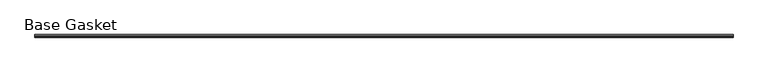
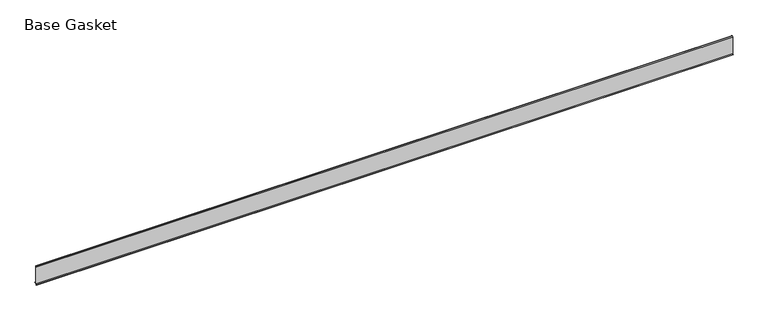
"""IFC4 building model written with IfcOpenShell, lengths in millimetres: furniture geometry, Base Gasket."""

from ifc_helpers import new_model, si_unit, frame, origin, place, context, project, spatial, polyline, outline, extrude, source, transform, mapped, element, save


def base_gasket_d241997f(model_context):
    return source(origin(), model_context, "Body", "SweptSolid", [
        extrude(outline(polyline([(-3.7283812, 98.4568417), (-1.1891543, 104.587663), (-0.6755308, 105.2002997), (-0.6755308, 104.4162708), (-2.2043812, 98.4568417), (-2.2043812, 96.8693477), (-1.4106313, 96.8693477), (-1.4106313, 71.4693447), (-2.2043812, 71.4693447), (-2.2043812, 7.9398773), (6.2405171, 7.9398773), (6.2405171, 6.3818476), (-2.1334222, 6.3818476), (-2.2043812, 4.3498477), (-6.8281054, 0.3520979), (-7.8482342, 0.0), (-7.4222115, 0.6560174), (-3.7283812, 4.3498477), (-3.7283812, 98.4568417)])), frame((-1527.8982117, 0.0, 0.0), z_axis=(1.0, 0.0, 0.0), x_axis=(0.0, 1.0, 0.0)), (0.0, 0.0, 1.0), 3765.5284682),
    ])


if __name__ == "__main__":
    model = new_model("IFC4")
    model_context = context("Model", 3, world=origin())
    ifc_project = project(units=[si_unit("LENGTHUNIT", "METRE", prefix="MILLI")], contexts=[model_context])
    site = spatial("IfcSite", under=ifc_project)
    building = spatial("IfcBuilding", under=site)
    placement = place(None, origin())
    base_gasket_shape = base_gasket_d241997f(model_context)
    element("IfcFurniture", 1, ObjectType="Base Gasket", at=placement, inside=building, context=model_context, shape_type="MappedRepresentation", body=[
        mapped(base_gasket_shape, transform((0.0, 0.0, 0.0), x_axis=(1.0, 0.0, 0.0), y_axis=(0.0, 1.0, 0.0), z_axis=(0.0, 0.0, 1.0))),
    ])
    save(model, "model.ifc")
